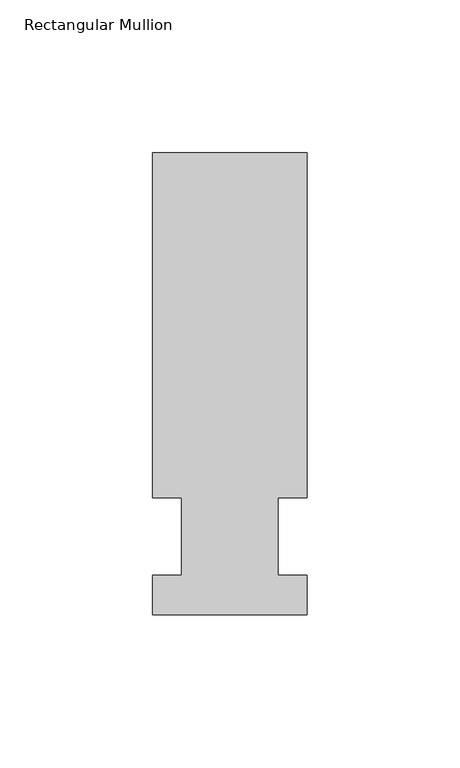
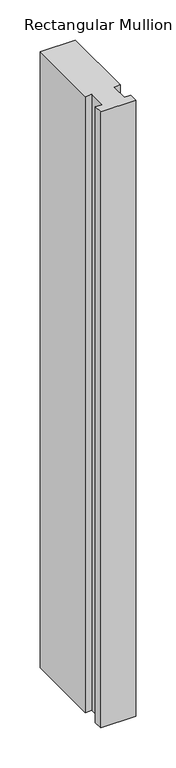
"""IFC4 building model written with IfcOpenShell, lengths in millimetres: member geometry, Rectangular Mullion."""

from ifc_helpers import new_model, si_unit, frame, origin, place, context, project, spatial, polyline, outline, extrude, source, transform, mapped, element, save


def rectangular_mullion_399a5114(model_context):
    return source(origin(), model_context, "Body", "SweptSolid", [
        extrude(outline(polyline([(-25.4, -25.796875), (-25.4, -12.7), (-15.875, -12.7), (-15.875, 12.7), (-25.4, 12.7), (-25.4, 125.809375), (25.4, 125.809375), (25.4, 12.7), (15.875, 12.7), (15.875, -12.7), (25.4, -12.7), (25.4, -25.796875), (-25.4, -25.796875)])), frame((0.0, 0.0, -939.8), z_axis=(0.0, 0.0, 1.0), x_axis=(1.0, 0.0, 0.0)), (0.0, 0.0, 1.0), 939.8),
    ])


if __name__ == "__main__":
    model = new_model("IFC4")
    model_context = context("Model", 3, world=origin())
    ifc_project = project(units=[si_unit("LENGTHUNIT", "METRE", prefix="MILLI")], contexts=[model_context])
    site = spatial("IfcSite", under=ifc_project)
    building = spatial("IfcBuilding", under=site)
    placement = place(None, origin())
    rectangular_mullion_shape = rectangular_mullion_399a5114(model_context)
    element("IfcMember", 1, ObjectType="Rectangular Mullion", at=placement, inside=building, context=model_context, shape_type="MappedRepresentation", body=[
        mapped(rectangular_mullion_shape, transform((0.0, 0.0, 0.0), x_axis=(1.0, 0.0, 0.0), y_axis=(0.0, 1.0, 0.0), z_axis=(0.0, 0.0, 1.0))),
    ])
    save(model, "model.ifc")
